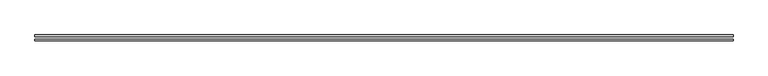
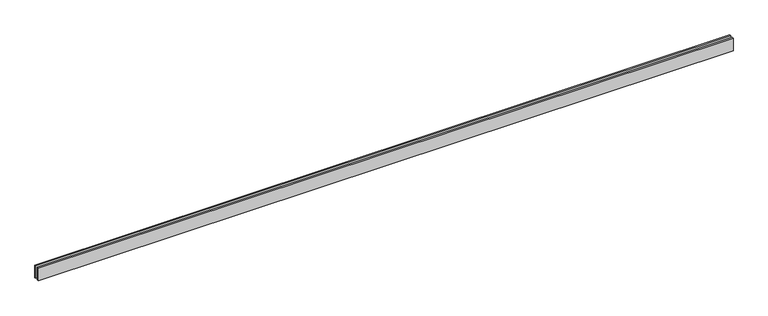
"""IFC4 building model written with IfcOpenShell, lengths in millimetres: proxy geometry."""

from ifc_helpers import new_model, si_unit, origin, origin_with_axes, place, context, project, spatial, polyline, outline, extrude, source, transform, mapped, element, save


def generic_models_7b9b2858(model_context):
    return source(origin(), model_context, "Body", "SweptSolid", [
        extrude(outline(polyline([(13135.0, -25.0), (13135.0, -55.0), (0.0, -55.0), (0.0, -25.0), (13135.0, -25.0)])), origin_with_axes(), (0.0, 0.0, 1.0), 250.0),
        extrude(outline(polyline([(13135.0, 55.0), (13135.0, 25.0), (0.0, 25.0), (0.0, 55.0), (13135.0, 55.0)])), origin_with_axes(), (0.0, 0.0, 1.0), 250.0),
    ])


if __name__ == "__main__":
    model = new_model("IFC4")
    model_context = context("Model", 3, world=origin())
    ifc_project = project(units=[si_unit("LENGTHUNIT", "METRE", prefix="MILLI")], contexts=[model_context])
    site = spatial("IfcSite", under=ifc_project)
    building = spatial("IfcBuilding", under=site)
    placement = place(None, origin())
    generic_models_shape = generic_models_7b9b2858(model_context)
    element("IfcBuildingElementProxy", 1, Name="Generic Models", at=placement, inside=building, context=model_context, shape_type="MappedRepresentation", body=[
        mapped(generic_models_shape, transform((0.0, 0.0, 0.0), x_axis=(1.0, 0.0, 0.0), y_axis=(0.0, 1.0, 0.0), z_axis=(0.0, 0.0, 1.0))),
    ])
    save(model, "model.ifc")
